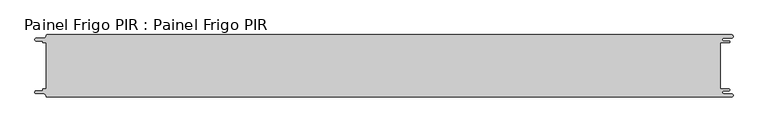
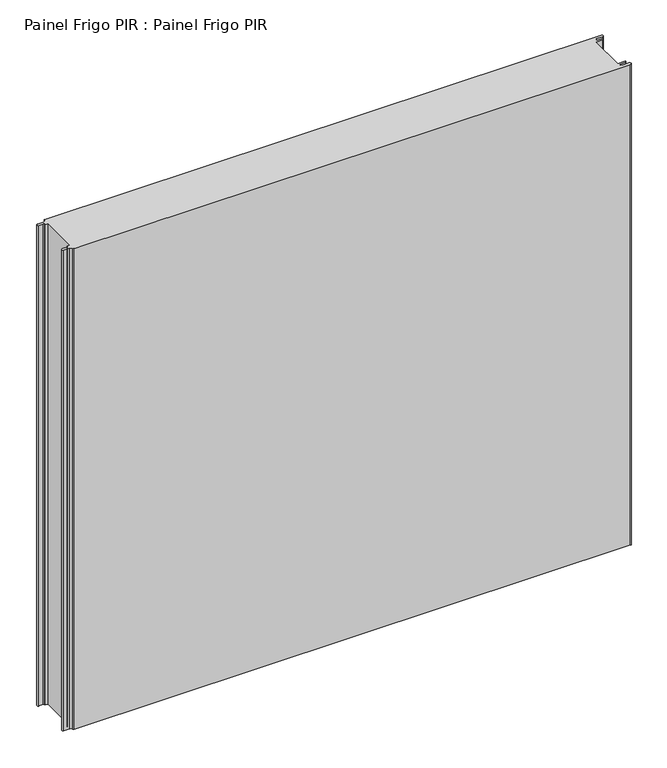
"""IFC4 building model written with IfcOpenShell, lengths in millimetres: proxy geometry, Painel Frigo PIR : Painel Frigo PIR."""

from ifc_helpers import new_model, si_unit, frame, origin, place, context, project, spatial, polyline, circle_curve, source, transform, mapped, element, save
from ifc_brep_helpers import plane_surface, cylinder_surface, revolved_surface, advanced_brep


def painel_frigo_pir_painel_frigo_pir_66f63e43(model_context):
    return source(origin(), model_context, "Body", "AdvancedBrep", [
        advanced_brep(
        [(-554.5874998, -37.3, 1000.0), (-555.1874998, -37.9, 1000.0), (-555.1874998, -38.7085184, 1000.0), (-556.5875001, -40.1085187, 1000.0), (-565.565625, -40.1085187, 1000.0), (-565.565625, -44.5085185, 1000.0), (-553.55, -44.5085185, 1000.0), (-550.0, -48.0585185, 1000.0), (-548.05, -50.0, 1000.0), (546.89375, -50.0, 1000.0), (546.89375, -44.725, 1000.0), (534.45625, -44.725, 1000.0), (534.45625, -39.875, 1000.0), (543.1187503, -39.875, 1000.0), (543.1187503, -37.3, 1000.0), (529.2687503, -37.3, 1000.0), (529.2687503, 37.3, 1000.0), (543.1187503, 37.3, 1000.0), (543.1187503, 39.875, 1000.0), (534.45625, 39.875, 1000.0), (534.45625, 44.725, 1000.0), (546.89375, 44.725, 1000.0), (546.89375, 50.0, 1000.0), (-548.05, 50.0, 1000.0), (-550.0, 48.05, 1000.0), (-553.55, 44.5085185, 1000.0), (-565.565625, 44.5085185, 1000.0), (-565.565625, 40.1085185, 1000.0), (-556.5875003, 40.1085185, 1000.0), (-555.1875003, 38.7085185, 1000.0), (-555.1875003, 37.9, 1000.0), (-554.5874998, 37.2999995, 1000.0), (-549.2999612, 37.2999995, 1000.0), (-549.2999612, -37.3, 1000.0), (-554.5874998, -37.3, 0.0), (-549.2999612, -37.3, 0.0), (-549.2999612, 37.2999995, 0.0), (-554.5874998, 37.2999995, 0.0), (-555.1875003, 37.9, 0.0), (-555.1875003, 38.7085185, 0.0), (-556.5875003, 40.1085185, 0.0), (-565.565625, 40.1085185, 0.0), (-565.565625, 44.5085185, 0.0), (-553.55, 44.5085185, 0.0), (-550.0, 48.0585185, 0.0), (-548.05, 50.0, 0.0), (546.89375, 50.0, 0.0), (546.89375, 44.725, 0.0), (534.45625, 44.725, 0.0), (534.45625, 39.875, 0.0), (543.1187503, 39.875, 0.0), (543.1187503, 37.3, 0.0), (529.2687503, 37.3, 0.0), (529.2687503, -37.3, 0.0), (543.1187503, -37.3, 0.0), (543.1187503, -39.875, 0.0), (534.45625, -39.875, 0.0), (534.45625, -44.725, 0.0), (546.89375, -44.725, 0.0), (546.89375, -50.0, 0.0), (-548.05, -50.0, 0.0), (-550.0, -48.05, 0.0), (-553.55, -44.5085185, 0.0), (-565.565625, -44.5085185, 0.0), (-565.565625, -40.1085187, 0.0), (-556.5875001, -40.1085187, 0.0), (-555.1874998, -38.7085184, 0.0), (-555.1874998, -37.9, 0.0)],
        [
            (0, 1, circle_curve(frame((-554.5874998, -37.9, 1000.0), z_axis=(0.0, 0.0, 1.0), x_axis=(1.0, 0.0, 0.0)), 0.6)),
            (1, 2),
            (2, 3, circle_curve(frame((-556.5875001, -38.7085184, 1000.0), z_axis=(0.0, 0.0, -1.0), x_axis=(1.0, 0.0, 0.0)), 1.4000003)),
            (3, 4),
            (4, 5, circle_curve(frame((-565.565625, -42.3085186, 1000.0), z_axis=(0.0, 0.0, 1.0), x_axis=(1.0, 0.0, 0.0)), 2.1999999)),
            (5, 6),
            (6, 7, circle_curve(frame((-553.55, -48.0585185, 1000.0), z_axis=(0.0, 0.0, -1.0), x_axis=(1.0, 0.0, 0.0)), 3.55)),
            (7, 8, circle_curve(frame((-548.05, -48.05, 1000.0), z_axis=(0.0, 0.0, 1.0), x_axis=(1.0, 0.0, 0.0)), 1.95)),
            (8, 9),
            (9, 10, circle_curve(frame((546.89375, -47.3625, 1000.0), z_axis=(0.0, 0.0, 1.0), x_axis=(1.0, 0.0, 0.0)), 2.6375)),
            (10, 11),
            (11, 12, circle_curve(frame((534.45625, -42.3, 1000.0), z_axis=(0.0, 0.0, -1.0), x_axis=(1.0, 0.0, 0.0)), 2.425)),
            (12, 13),
            (13, 14, circle_curve(frame((543.1187503, -38.5875, 1000.0), z_axis=(0.0, 0.0, 1.0), x_axis=(1.0, 0.0, 0.0)), 1.2875)),
            (14, 15),
            (15, 16),
            (16, 17),
            (17, 18, circle_curve(frame((543.1187503, 38.5875, 1000.0), z_axis=(0.0, 0.0, 1.0), x_axis=(1.0, 0.0, 0.0)), 1.2875)),
            (18, 19),
            (19, 20, circle_curve(frame((534.45625, 42.3, 1000.0), z_axis=(0.0, 0.0, -1.0), x_axis=(1.0, 0.0, 0.0)), 2.425)),
            (20, 21),
            (21, 22, circle_curve(frame((546.89375, 47.3625, 1000.0), z_axis=(0.0, 0.0, 1.0), x_axis=(1.0, 0.0, 0.0)), 2.6375)),
            (22, 23),
            (23, 24, circle_curve(frame((-548.05, 48.05, 1000.0), z_axis=(0.0, 0.0, 1.0), x_axis=(1.0, 0.0, 0.0)), 1.95)),
            (24, 25, circle_curve(frame((-553.55, 48.0585185, 1000.0), z_axis=(0.0, 0.0, -1.0), x_axis=(1.0, 0.0, 0.0)), 3.55)),
            (25, 26),
            (26, 27, circle_curve(frame((-565.565625, 42.3085185, 1000.0), z_axis=(0.0, 0.0, 1.0), x_axis=(1.0, 0.0, 0.0)), 2.2)),
            (27, 28),
            (28, 29, circle_curve(frame((-556.5875003, 38.7085185, 1000.0), z_axis=(0.0, 0.0, -1.0), x_axis=(1.0, 0.0, 0.0)), 1.4)),
            (29, 30),
            (30, 31, circle_curve(frame((-554.5874998, 37.9, 1000.0), z_axis=(0.0, 0.0, 1.0), x_axis=(1.0, 0.0, 0.0)), 0.6000005)),
            (31, 32),
            (32, 33),
            (33, 0),
            (34, 35),
            (35, 36),
            (36, 37),
            (37, 38, circle_curve(frame((-554.5874998, 37.9, 0.0), z_axis=(0.0, 0.0, -1.0), x_axis=(1.0, 0.0, 0.0)), 0.6000005)),
            (38, 39),
            (39, 40, circle_curve(frame((-556.5875003, 38.7085185, 0.0), z_axis=(0.0, 0.0, 1.0), x_axis=(1.0, 0.0, 0.0)), 1.4)),
            (40, 41),
            (41, 42, circle_curve(frame((-565.565625, 42.3085185, 0.0), z_axis=(0.0, 0.0, -1.0), x_axis=(1.0, 0.0, 0.0)), 2.2)),
            (42, 43),
            (43, 44, circle_curve(frame((-553.55, 48.0585185, 0.0), z_axis=(0.0, 0.0, 1.0), x_axis=(1.0, 0.0, 0.0)), 3.55)),
            (44, 45, circle_curve(frame((-548.05, 48.05, 0.0), z_axis=(0.0, 0.0, -1.0), x_axis=(1.0, 0.0, 0.0)), 1.95)),
            (45, 46),
            (46, 47, circle_curve(frame((546.89375, 47.3625, 0.0), z_axis=(0.0, 0.0, -1.0), x_axis=(1.0, 0.0, 0.0)), 2.6375)),
            (47, 48),
            (48, 49, circle_curve(frame((534.45625, 42.3, 0.0), z_axis=(0.0, 0.0, 1.0), x_axis=(1.0, 0.0, 0.0)), 2.425)),
            (49, 50),
            (50, 51, circle_curve(frame((543.1187503, 38.5875, 0.0), z_axis=(0.0, 0.0, -1.0), x_axis=(1.0, 0.0, 0.0)), 1.2875)),
            (51, 52),
            (52, 53),
            (53, 54),
            (54, 55, circle_curve(frame((543.1187503, -38.5875, 0.0), z_axis=(0.0, 0.0, -1.0), x_axis=(1.0, 0.0, 0.0)), 1.2875)),
            (55, 56),
            (56, 57, circle_curve(frame((534.45625, -42.3, 0.0), z_axis=(0.0, 0.0, 1.0), x_axis=(1.0, 0.0, 0.0)), 2.425)),
            (57, 58),
            (58, 59, circle_curve(frame((546.89375, -47.3625, 0.0), z_axis=(0.0, 0.0, -1.0), x_axis=(1.0, 0.0, 0.0)), 2.6375)),
            (59, 60),
            (60, 61, circle_curve(frame((-548.05, -48.05, 0.0), z_axis=(0.0, 0.0, -1.0), x_axis=(1.0, 0.0, 0.0)), 1.95)),
            (61, 62, circle_curve(frame((-553.55, -48.0585185, 0.0), z_axis=(0.0, 0.0, 1.0), x_axis=(1.0, 0.0, 0.0)), 3.55)),
            (62, 63),
            (63, 64, circle_curve(frame((-565.565625, -42.3085186, 0.0), z_axis=(0.0, 0.0, -1.0), x_axis=(1.0, 0.0, 0.0)), 2.1999999)),
            (64, 65),
            (65, 66, circle_curve(frame((-556.5875001, -38.7085184, 0.0), z_axis=(0.0, 0.0, 1.0), x_axis=(1.0, 0.0, 0.0)), 1.4000003)),
            (66, 67),
            (67, 34, circle_curve(frame((-554.5874998, -37.9, 0.0), z_axis=(0.0, 0.0, -1.0), x_axis=(1.0, 0.0, 0.0)), 0.6)),
            (33, 35),
            (34, 0),
            (32, 36),
            (31, 37),
            (30, 38),
            (29, 39),
            (28, 40),
            (27, 41),
            (26, 42),
            (25, 43),
            (24, 44),
            (23, 45),
            (22, 46),
            (15, 53),
            (52, 16),
            (14, 54),
            (13, 55),
            (12, 56),
            (11, 57),
            (10, 58),
            (9, 59),
            (8, 60),
            (7, 61),
            (6, 62),
            (5, 63),
            (4, 64),
            (3, 65),
            (2, 66),
            (1, 67),
            (21, 47),
            (20, 48),
            (19, 49),
            (18, 50),
            (17, 51),
        ],
        [
            plane_surface(frame((-549.2999612, -37.3, 1000.0), z_axis=(0.0, 0.0, 1.0), x_axis=(1.0, 0.0, 0.0))),
            plane_surface(frame((-549.2999612, -37.3, 0.0), z_axis=(0.0, 0.0, -1.0), x_axis=(-1.0, 0.0, 0.0))),
            plane_surface(frame((-554.5874998, -37.3, 1000.0), z_axis=(0.0, 1.0, 0.0), x_axis=(0.0, 0.0, -1.0))),
            plane_surface(frame((-549.2999612, -37.3, 1000.0), z_axis=(-1.0, 0.0, 0.0), x_axis=(0.0, 0.0, -1.0))),
            plane_surface(frame((-549.2999612, 37.2999995, 1000.0), z_axis=(0.0, -1.0, 0.0), x_axis=(0.0, 0.0, -1.0))),
            cylinder_surface(frame((-554.5874998, 37.9, 0.0), z_axis=(0.0, 0.0, 1.0), x_axis=(1.0, 0.0, 0.0)), 0.6000005),
            plane_surface(frame((-555.1875003, 37.9, 1000.0), z_axis=(-1.0, -1.757860866232943e-12, 0.0), x_axis=(0.0, 0.0, -1.0))),
            revolved_surface(polyline([(-555.1875003, 38.7085185, 0.0), (-555.1875003, 38.7085185, 1000.0)]), (-556.5875003, 38.7085185, 0.0), (0.0, 0.0, -1.0)),
            plane_surface(frame((-556.5875003, 40.1085185, 1000.0), z_axis=(0.0, -1.0, 0.0), x_axis=(0.0, 0.0, -1.0))),
            cylinder_surface(frame((-565.565625, 42.3085185, 0.0), z_axis=(0.0, 0.0, 1.0), x_axis=(1.0, 0.0, 0.0)), 2.2),
            plane_surface(frame((-565.565625, 44.5085185, 1000.0), z_axis=(0.0, 1.0, 0.0), x_axis=(0.0, 0.0, -1.0))),
            revolved_surface(polyline([(-550.0, 48.0585185, 0.0), (-550.0, 48.0585185, 1000.0)]), (-553.55, 48.0585185, 0.0), (0.0, 0.0, -1.0)),
            cylinder_surface(frame((-548.05, 48.05, 0.0), z_axis=(0.0, 0.0, 1.0), x_axis=(1.0, 0.0, 0.0)), 1.95),
            plane_surface(frame((-548.05, 50.0, 1000.0), z_axis=(0.0, 1.0, 0.0), x_axis=(0.0, 0.0, -1.0))),
            plane_surface(frame((529.2687503, 37.3, 1000.0), z_axis=(1.0, 0.0, 0.0), x_axis=(0.0, 0.0, -1.0))),
            plane_surface(frame((529.2687503, -37.3, 1000.0), z_axis=(0.0, 1.0, 0.0), x_axis=(0.0, 0.0, -1.0))),
            cylinder_surface(frame((543.1187503, -38.5875, 0.0), z_axis=(0.0, 0.0, 1.0), x_axis=(1.0, 0.0, 0.0)), 1.2875),
            plane_surface(frame((543.1187503, -39.875, 1000.0), z_axis=(0.0, -1.0, 0.0), x_axis=(0.0, 0.0, -1.0))),
            revolved_surface(polyline([(536.8812499999999, -42.3, 0.0), (536.8812499999999, -42.3, 1000.0)]), (534.45625, -42.3, 0.0), (0.0, 0.0, -1.0)),
            plane_surface(frame((534.45625, -44.725, 1000.0), z_axis=(0.0, 1.0, 0.0), x_axis=(0.0, 0.0, -1.0))),
            cylinder_surface(frame((546.89375, -47.3625, 0.0), z_axis=(0.0, 0.0, 1.0), x_axis=(1.0, 0.0, 0.0)), 2.6375),
            plane_surface(frame((546.89375, -50.0, 1000.0), z_axis=(0.0, -1.0, 0.0), x_axis=(0.0, 0.0, -1.0))),
            cylinder_surface(frame((-548.05, -48.05, 0.0), z_axis=(0.0, 0.0, 1.0), x_axis=(1.0, 0.0, 0.0)), 1.95),
            revolved_surface(polyline([(-550.0, -48.0585185, 0.0), (-550.0, -48.0585185, 1000.0)]), (-553.55, -48.0585185, 0.0), (0.0, 0.0, -1.0)),
            plane_surface(frame((-553.55, -44.5085185, 1000.0), z_axis=(0.0, -1.0, 0.0), x_axis=(0.0, 0.0, -1.0))),
            cylinder_surface(frame((-565.565625, -42.3085186, 0.0), z_axis=(0.0, 0.0, 1.0), x_axis=(1.0, 0.0, 0.0)), 2.1999999),
            plane_surface(frame((-565.565625, -40.1085187, 1000.0), z_axis=(0.0, 1.0, 0.0), x_axis=(0.0, 0.0, -1.0))),
            revolved_surface(polyline([(-555.1874998000001, -38.7085184, 0.0), (-555.1874998000001, -38.7085184, 1000.0)]), (-556.5875001, -38.7085184, 0.0), (0.0, 0.0, -1.0)),
            plane_surface(frame((-555.1874998, -38.7085184, 1000.0), z_axis=(-1.0, 0.0, 0.0), x_axis=(0.0, 0.0, -1.0))),
            cylinder_surface(frame((-554.5874998, -37.9, 0.0), z_axis=(0.0, 0.0, 1.0), x_axis=(1.0, 0.0, 0.0)), 0.6),
            cylinder_surface(frame((546.89375, 47.3625, 0.0), z_axis=(0.0, 0.0, 1.0), x_axis=(1.0, 0.0, 0.0)), 2.6375),
            plane_surface(frame((546.89375, 44.725, 1000.0), z_axis=(0.0, -1.0, 0.0), x_axis=(0.0, 0.0, -1.0))),
            revolved_surface(polyline([(536.8812499999999, 42.3, 0.0), (536.8812499999999, 42.3, 1000.0)]), (534.45625, 42.3, 0.0), (0.0, 0.0, -1.0)),
            plane_surface(frame((534.45625, 39.875, 1000.0), z_axis=(0.0, 1.0, 0.0), x_axis=(0.0, 0.0, -1.0))),
            cylinder_surface(frame((543.1187503, 38.5875, 0.0), z_axis=(0.0, 0.0, 1.0), x_axis=(1.0, 0.0, 0.0)), 1.2875),
            plane_surface(frame((543.1187503, 37.3, 1000.0), z_axis=(0.0, -1.0, 0.0), x_axis=(0.0, 0.0, -1.0))),
        ],
        [
            (0, [[1, 2, 3, 4, 5, 6, 7, 8, 9, 10, 11, 12, 13, 14, 15, 16, 17, 18, 19, 20, 21, 22, 23, 24, 25, 26, 27, 28, 29, 30, 31, 32, 33, 34]]),
            (1, [[35, 36, 37, 38, 39, 40, 41, 42, 43, 44, 45, 46, 47, 48, 49, 50, 51, 52, 53, 54, 55, 56, 57, 58, 59, 60, 61, 62, 63, 64, 65, 66, 67, 68]]),
            (2, [[69, -35, 70, -34]]),
            (3, [[71, -36, -69, -33]]),
            (4, [[72, -37, -71, -32]]),
            (5, [[73, -38, -72, -31]]),
            (6, [[74, -39, -73, -30]]),
            (7, [[75, -40, -74, -29]]),
            (8, [[76, -41, -75, -28]]),
            (9, [[77, -42, -76, -27]]),
            (10, [[78, -43, -77, -26]]),
            (11, [[79, -44, -78, -25]]),
            (12, [[80, -45, -79, -24]]),
            (13, [[81, -46, -80, -23]]),
            (14, [[82, -53, 83, -16]]),
            (15, [[84, -54, -82, -15]]),
            (16, [[85, -55, -84, -14]]),
            (17, [[86, -56, -85, -13]]),
            (18, [[87, -57, -86, -12]]),
            (19, [[88, -58, -87, -11]]),
            (20, [[89, -59, -88, -10]]),
            (21, [[90, -60, -89, -9]]),
            (22, [[91, -61, -90, -8]]),
            (23, [[92, -62, -91, -7]]),
            (24, [[93, -63, -92, -6]]),
            (25, [[94, -64, -93, -5]]),
            (26, [[95, -65, -94, -4]]),
            (27, [[96, -66, -95, -3]]),
            (28, [[97, -67, -96, -2]]),
            (29, [[-70, -68, -97, -1]]),
            (30, [[98, -47, -81, -22]]),
            (31, [[99, -48, -98, -21]]),
            (32, [[100, -49, -99, -20]]),
            (33, [[101, -50, -100, -19]]),
            (34, [[102, -51, -101, -18]]),
            (35, [[-83, -52, -102, -17]]),
        ],
    ),
    ])


if __name__ == "__main__":
    model = new_model("IFC4")
    model_context = context("Model", 3, world=origin())
    ifc_project = project(units=[si_unit("LENGTHUNIT", "METRE", prefix="MILLI")], contexts=[model_context])
    site = spatial("IfcSite", under=ifc_project)
    building = spatial("IfcBuilding", under=site)
    placement = place(None, origin())
    painel_frigo_pir_painel_frigo_pir_shape = painel_frigo_pir_painel_frigo_pir_66f63e43(model_context)
    element("IfcBuildingElementProxy", 1, Name="Painel Frigo PIR : Painel Frigo PIR", ObjectType="Painel Frigo PIR : Painel Frigo PIR", at=placement, inside=building, context=model_context, shape_type="MappedRepresentation", body=[
        mapped(painel_frigo_pir_painel_frigo_pir_shape, transform((0.0, 0.0, 0.0), x_axis=(1.0, 0.0, 0.0), y_axis=(0.0, 1.0, 0.0), z_axis=(0.0, 0.0, 1.0))),
    ])
    save(model, "model.ifc")
